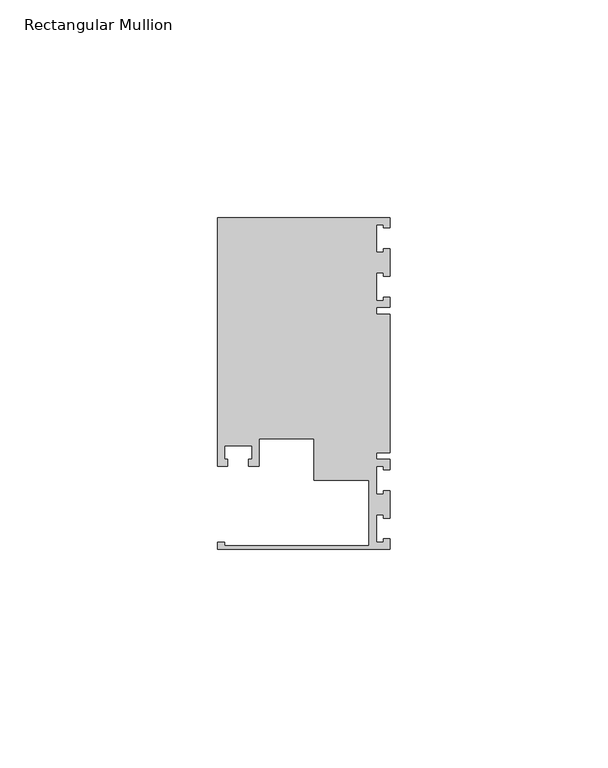
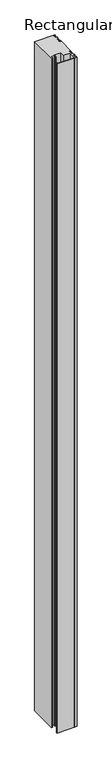
"""IFC4 building model written with IfcOpenShell, lengths in millimetres: member geometry, Rectangular Mullion."""

from ifc_helpers import new_model, si_unit, frame, origin, place, context, project, spatial, polyline, outline, extrude, source, transform, mapped, element, save


def rectangular_mullion_3fff2457(model_context):
    return source(origin(), model_context, "Body", "SweptSolid", [
        extrude(outline(polyline([(0.0, -38.1), (-39.6875, -38.1), (-39.6875, -36.5125), (-38.1, -36.5125), (-38.1, -37.30625), (-4.8585733, -37.30625), (-4.8585733, -22.225), (-17.4625, -22.225), (-17.4625, -12.6999969), (-30.1625, -12.6999969), (-30.1625, -19.05), (-32.54375, -19.05), (-32.54375, -17.4625), (-31.75, -17.4625), (-31.75, -14.2875), (-38.1, -14.2875), (-38.1, -17.4625), (-37.30625, -17.4625), (-37.30625, -19.05), (-39.6875, -19.05), (-39.6875, 38.1), (0.0, 38.1), (0.0, 35.71875), (-1.4999946, 35.71875), (-1.4999946, 36.5125), (-3.175, 36.5125), (-3.175, 30.1625), (-1.4999946, 30.1625), (-1.4999946, 30.95625), (0.0, 30.95625), (0.0, 24.60625), (-1.4999946, 24.60625), (-1.4999946, 25.4), (-3.175, 25.4), (-3.175, 19.05), (-1.4999946, 19.05), (-1.4999946, 19.84375), (0.0, 19.84375), (0.0, 17.4625), (-3.175, 17.4625), (-3.175, 15.875), (0.0, 15.875), (0.0, -15.875), (-3.175, -15.875), (-3.175, -17.4625), (0.0, -17.4625), (0.0, -19.84375), (-1.4999946, -19.84375), (-1.4999946, -19.05), (-3.175, -19.05), (-3.175, -25.4), (-1.4999946, -25.4), (-1.4999946, -24.60625), (0.0, -24.60625), (0.0, -30.95625), (-1.4999946, -30.95625), (-1.4999946, -30.1625), (-3.175, -30.1625), (-3.175, -36.5125), (-1.4999946, -36.5125), (-1.4999946, -35.71875), (0.0, -35.71875), (0.0, -38.1)])), frame((0.0, 0.0, -1397.0), z_axis=(0.0, 0.0, 1.0), x_axis=(1.0, 0.0, 0.0)), (0.0, 0.0, 1.0), 1397.0),
    ])


if __name__ == "__main__":
    model = new_model("IFC4")
    model_context = context("Model", 3, world=origin())
    ifc_project = project(units=[si_unit("LENGTHUNIT", "METRE", prefix="MILLI")], contexts=[model_context])
    site = spatial("IfcSite", under=ifc_project)
    building = spatial("IfcBuilding", under=site)
    placement = place(None, origin())
    rectangular_mullion_shape = rectangular_mullion_3fff2457(model_context)
    element("IfcMember", 1, ObjectType="Rectangular Mullion", at=placement, inside=building, context=model_context, shape_type="MappedRepresentation", body=[
        mapped(rectangular_mullion_shape, transform((0.0, 0.0, 0.0), x_axis=(1.0, 0.0, 0.0), y_axis=(0.0, 1.0, 0.0), z_axis=(0.0, 0.0, 1.0))),
    ])
    save(model, "model.ifc")
